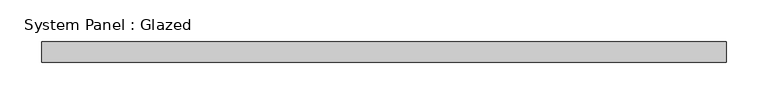
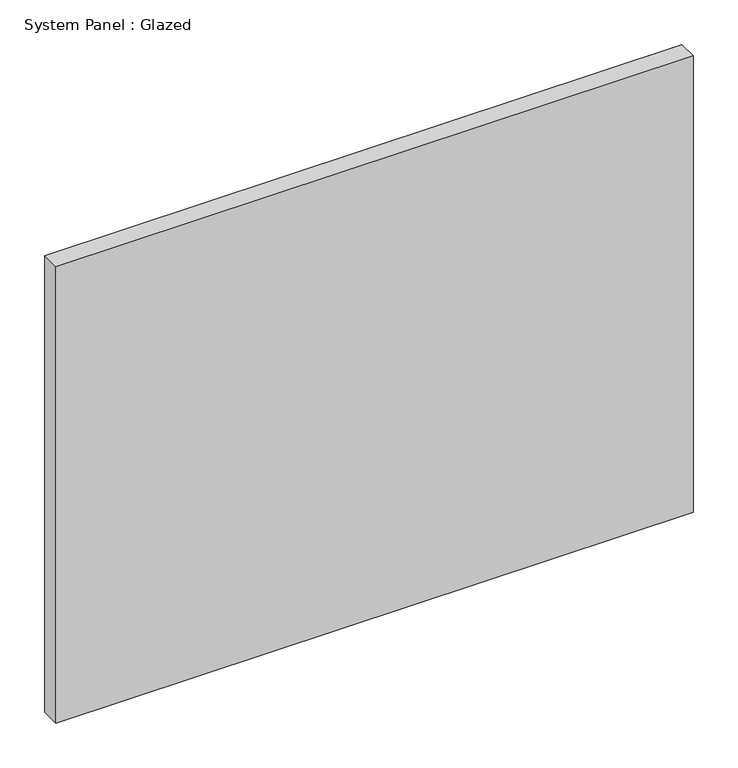
"""IFC4 building model written with IfcOpenShell, lengths in millimetres: plate geometry, System Panel : Glazed."""

from ifc_helpers import new_model, si_unit, origin, origin_with_axes, place, context, project, spatial, polyline, outline, extrude, source, transform, mapped, element, save


def system_panel_glazed_6290f1bb(model_context):
    return source(origin(), model_context, "Body", "SweptSolid", [
        extrude(outline(polyline([(412.5, 24.5), (-412.5, 24.5), (-412.5, 49.5), (412.5, 49.5), (412.5, 24.5)])), origin_with_axes(), (0.0, 0.0, 1.0), 625.0),
    ])


if __name__ == "__main__":
    model = new_model("IFC4")
    model_context = context("Model", 3, world=origin())
    ifc_project = project(units=[si_unit("LENGTHUNIT", "METRE", prefix="MILLI")], contexts=[model_context])
    site = spatial("IfcSite", under=ifc_project)
    building = spatial("IfcBuilding", under=site)
    placement = place(None, origin())
    system_panel_glazed_shape = system_panel_glazed_6290f1bb(model_context)
    element("IfcPlate", 1, ObjectType="System Panel : Glazed", at=placement, inside=building, context=model_context, shape_type="MappedRepresentation", body=[
        mapped(system_panel_glazed_shape, transform((0.0, 0.0, 0.0), x_axis=(1.0, 0.0, 0.0), y_axis=(0.0, 1.0, 0.0), z_axis=(0.0, 0.0, 1.0))),
    ])
    save(model, "model.ifc")
